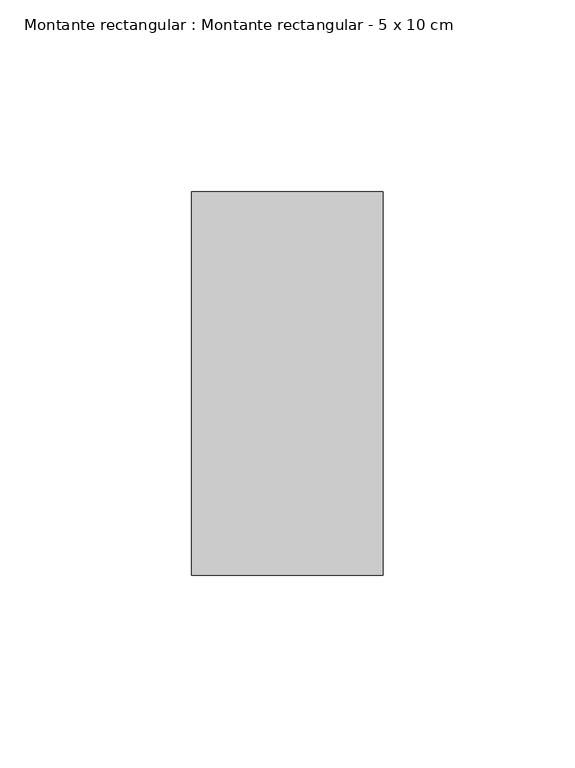
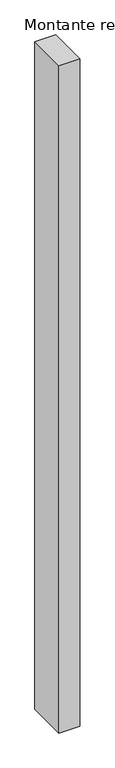
"""IFC4 building model written with IfcOpenShell, lengths in millimetres: member geometry, Montante rectangular : Montante rectangular - 5 x 10 cm."""

from ifc_helpers import new_model, si_unit, frame, origin, place, context, project, spatial, polyline, outline, extrude, source, transform, mapped, element, save


def montante_rectangular_montante_rectangular_5_x_10_cm_3c539a5c(model_context):
    return source(origin(), model_context, "Body", "SweptSolid", [
        extrude(outline(polyline([(-50.0, 50.0), (0.0, 50.0), (0.0, -50.0), (-50.0, -50.0), (-50.0, 50.0)])), frame((0.0, 0.0, -1700.0), z_axis=(0.0, 0.0, 1.0), x_axis=(1.0, 0.0, 0.0)), (0.0, 0.0, 1.0), 1700.0),
    ])


if __name__ == "__main__":
    model = new_model("IFC4")
    model_context = context("Model", 3, world=origin())
    ifc_project = project(units=[si_unit("LENGTHUNIT", "METRE", prefix="MILLI")], contexts=[model_context])
    site = spatial("IfcSite", under=ifc_project)
    building = spatial("IfcBuilding", under=site)
    placement = place(None, origin())
    montante_rectangular_montante_rectangular_5_x_10_cm_shape = montante_rectangular_montante_rectangular_5_x_10_cm_3c539a5c(model_context)
    element("IfcMember", 1, ObjectType="Montante rectangular : Montante rectangular - 5 x 10 cm", at=placement, inside=building, context=model_context, shape_type="MappedRepresentation", body=[
        mapped(montante_rectangular_montante_rectangular_5_x_10_cm_shape, transform((0.0, 0.0, 0.0), x_axis=(1.0, 0.0, 0.0), y_axis=(0.0, 1.0, 0.0), z_axis=(0.0, 0.0, 1.0))),
    ])
    save(model, "model.ifc")
